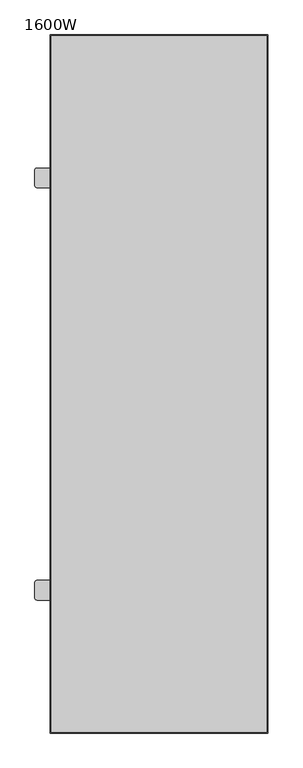
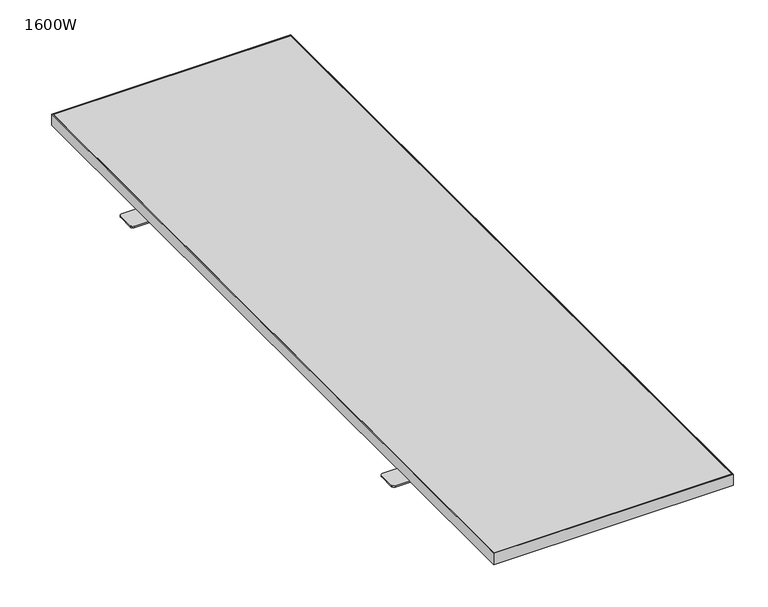
"""IFC4 building model written with IfcOpenShell, lengths in millimetres: furniture geometry, 1600W."""

from ifc_helpers import new_model, si_unit, point, frame, frame_2d, origin, place, context, project, spatial, polyline, circle_curve, trimmed, segment, composite_curve, outline, extrude, source, transform, mapped, element, save


def furniture_1600w_0b0052ae(model_context):
    return source(origin(), model_context, "Body", "SweptSolid", [
        extrude(outline(composite_curve([segment(trimmed(circle_curve(frame_2d((30.0, 490.0)), 5.0), [point((30.0, 495.0))], [point((35.0, 490.0))], False, "CARTESIAN"), True, "CONTINUOUS"), segment(polyline([(35.0, 490.0), (35.0, 455.0)]), True, "CONTINUOUS"), segment(trimmed(circle_curve(frame_2d((30.0, 455.0)), 5.0), [point((35.0, 455.0))], [point((30.0, 450.0))], False, "CARTESIAN"), True, "CONTINUOUS"), segment(polyline([(30.0, 450.0), (-30.0, 450.0)]), True, "CONTINUOUS"), segment(trimmed(circle_curve(frame_2d((-30.0, 455.0)), 5.0), [point((-30.0, 450.0))], [point((-35.0, 455.0))], False, "CARTESIAN"), True, "CONTINUOUS"), segment(polyline([(-35.0, 455.0), (-35.0, 490.0)]), True, "CONTINUOUS"), segment(trimmed(circle_curve(frame_2d((-30.0, 490.0)), 5.0), [point((-35.0, 490.0))], [point((-30.0, 495.0))], False, "CARTESIAN"), True, "CONTINUOUS"), segment(polyline([(-30.0, 495.0), (30.0, 495.0)]), True, "CONTINUOUS")], self_intersect=False)), frame((0.0, 0.0, 691.9999849), z_axis=(0.0, 0.0, 1.0), x_axis=(1.0, 0.0, 0.0)), (0.0, 0.0, 1.0), 3.0000151),
        extrude(outline(composite_curve([segment(polyline([(30.0, -495.0), (-30.0, -495.0)]), True, "CONTINUOUS"), segment(trimmed(circle_curve(frame_2d((-30.0, -490.0)), 5.0), [point((-30.0, -495.0))], [point((-35.0, -490.0))], False, "CARTESIAN"), True, "CONTINUOUS"), segment(polyline([(-35.0, -490.0), (-35.0, -455.0)]), True, "CONTINUOUS"), segment(trimmed(circle_curve(frame_2d((-30.0, -455.0)), 5.0), [point((-35.0, -455.0))], [point((-30.0, -450.0))], False, "CARTESIAN"), True, "CONTINUOUS"), segment(polyline([(-30.0, -450.0), (30.0, -450.0)]), True, "CONTINUOUS"), segment(trimmed(circle_curve(frame_2d((30.0, -455.0)), 5.0), [point((30.0, -450.0))], [point((35.0, -455.0))], False, "CARTESIAN"), True, "CONTINUOUS"), segment(polyline([(35.0, -455.0), (35.0, -490.0)]), True, "CONTINUOUS"), segment(trimmed(circle_curve(frame_2d((30.0, -490.0)), 5.0), [point((35.0, -490.0))], [point((30.0, -495.0))], False, "CARTESIAN"), True, "CONTINUOUS")], self_intersect=False)), frame((0.0, 0.0, 691.9999849), z_axis=(0.0, 0.0, 1.0), x_axis=(1.0, 0.0, 0.0)), (0.0, 0.0, 1.0), 3.0000151),
        extrude(outline(polyline([(500.0, 800.0), (500.0, -800.0), (0.0, -800.0), (0.0, 800.0), (500.0, 800.0)]), holes=[polyline([(498.0, 798.0), (2.0, 798.0), (2.0, -798.0), (498.0, -798.0), (498.0, 798.0)])]), frame((0.0, 0.0, 695.0), z_axis=(0.0, 0.0, 1.0), x_axis=(1.0, 0.0, 0.0)), (0.0, 0.0, 1.0), 25.0),
        extrude(outline(polyline([(498.0, 798.0), (498.0, -798.0), (2.0, -798.0), (2.0, 798.0), (498.0, 798.0)])), frame((0.0, 0.0, 695.0), z_axis=(0.0, 0.0, 1.0), x_axis=(1.0, 0.0, 0.0)), (0.0, 0.0, 1.0), 25.0),
    ])


if __name__ == "__main__":
    model = new_model("IFC4")
    model_context = context("Model", 3, world=origin())
    ifc_project = project(units=[si_unit("LENGTHUNIT", "METRE", prefix="MILLI")], contexts=[model_context])
    site = spatial("IfcSite", under=ifc_project)
    building = spatial("IfcBuilding", under=site)
    placement = place(None, origin())
    furniture_1600w_shape = furniture_1600w_0b0052ae(model_context)
    element("IfcFurniture", 1, ObjectType="1600W", at=placement, inside=building, context=model_context, shape_type="MappedRepresentation", body=[
        mapped(furniture_1600w_shape, transform((0.0, 0.0, 0.0), x_axis=(1.0, 0.0, 0.0), y_axis=(0.0, 1.0, 0.0), z_axis=(0.0, 0.0, 1.0))),
    ])
    save(model, "model.ifc")
